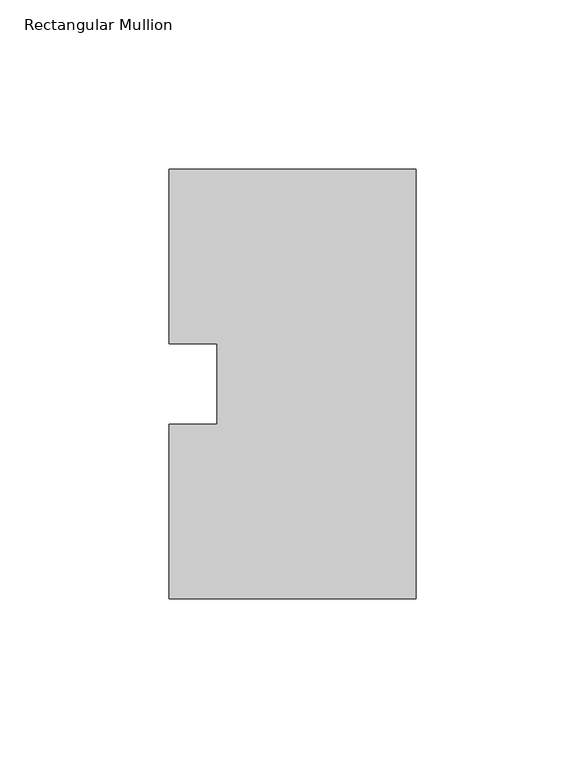
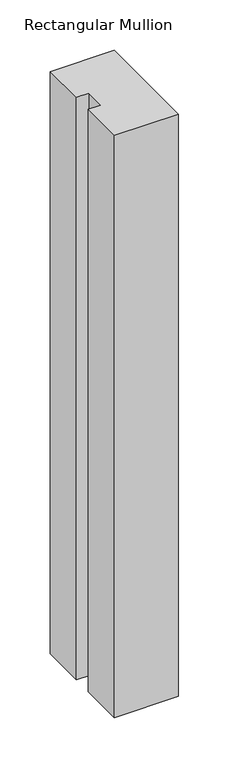
"""IFC4 building model written with IfcOpenShell, lengths in millimetres: member geometry, Rectangular Mullion."""

from ifc_helpers import new_model, si_unit, frame, origin, place, context, project, spatial, polyline, outline, extrude, source, transform, mapped, element, save


def rectangular_mullion_22737f45(model_context):
    return source(origin(), model_context, "Body", "SweptSolid", [
        extrude(outline(polyline([(0.0, 127.00635), (0.0, 0.00635), (-73.025, 0.00635), (-73.025, 51.60645), (-58.7375, 51.60645), (-58.7375, 75.40625), (-73.025, 75.40625), (-73.025, 127.00635), (0.0, 127.00635)])), frame((0.0, 0.0, -704.8497287), z_axis=(0.0, 0.0, 1.0), x_axis=(1.0, 0.0, 0.0)), (0.0, 0.0, 1.0), 704.8497287),
    ])


if __name__ == "__main__":
    model = new_model("IFC4")
    model_context = context("Model", 3, world=origin())
    ifc_project = project(units=[si_unit("LENGTHUNIT", "METRE", prefix="MILLI")], contexts=[model_context])
    site = spatial("IfcSite", under=ifc_project)
    building = spatial("IfcBuilding", under=site)
    placement = place(None, origin())
    rectangular_mullion_shape = rectangular_mullion_22737f45(model_context)
    element("IfcMember", 1, ObjectType="Rectangular Mullion", at=placement, inside=building, context=model_context, shape_type="MappedRepresentation", body=[
        mapped(rectangular_mullion_shape, transform((0.0, 0.0, 0.0), x_axis=(1.0, 0.0, 0.0), y_axis=(0.0, 1.0, 0.0), z_axis=(0.0, 0.0, 1.0))),
    ])
    save(model, "model.ifc")
